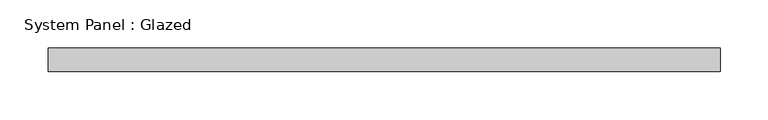
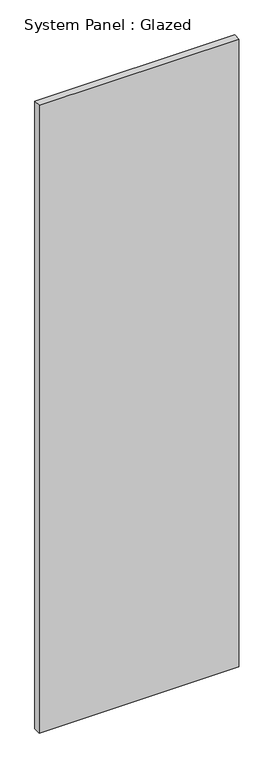
"""IFC4 building model written with IfcOpenShell, lengths in millimetres: plate geometry, System Panel : Glazed."""

from ifc_helpers import new_model, si_unit, origin, origin_with_axes, place, context, project, spatial, polyline, outline, extrude, source, transform, mapped, element, save


def system_panel_glazed_f867701c(model_context):
    return source(origin(), model_context, "Body", "SweptSolid", [
        extrude(outline(polyline([(350.0, 24.5), (-350.0, 24.5), (-350.0, 49.5), (350.0, 49.5), (350.0, 24.5)])), origin_with_axes(), (0.0, 0.0, 1.0), 2325.0),
    ])


if __name__ == "__main__":
    model = new_model("IFC4")
    model_context = context("Model", 3, world=origin())
    ifc_project = project(units=[si_unit("LENGTHUNIT", "METRE", prefix="MILLI")], contexts=[model_context])
    site = spatial("IfcSite", under=ifc_project)
    building = spatial("IfcBuilding", under=site)
    placement = place(None, origin())
    system_panel_glazed_shape = system_panel_glazed_f867701c(model_context)
    element("IfcPlate", 1, ObjectType="System Panel : Glazed", at=placement, inside=building, context=model_context, shape_type="MappedRepresentation", body=[
        mapped(system_panel_glazed_shape, transform((0.0, 0.0, 0.0), x_axis=(1.0, 0.0, 0.0), y_axis=(0.0, 1.0, 0.0), z_axis=(0.0, 0.0, 1.0))),
    ])
    save(model, "model.ifc")
